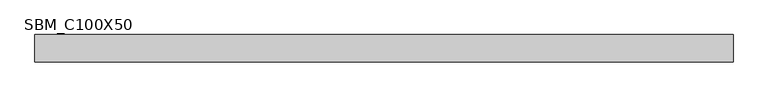
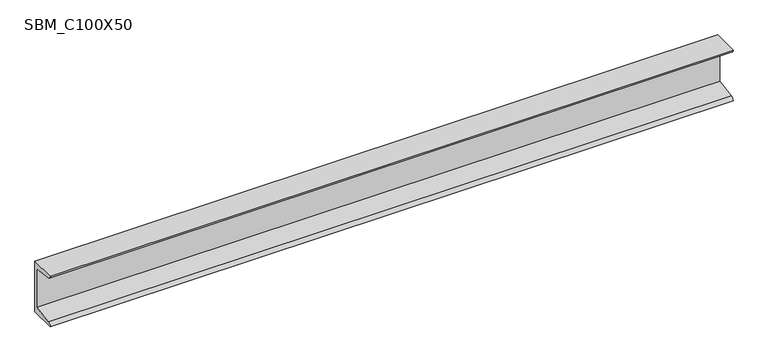
"""IFC4 building model written with IfcOpenShell, lengths in millimetres: beam geometry, SBM_C100X50."""

import ifcopenshell
import ifcopenshell.guid

model = None  # the IFC model being written
_history = None  # IfcOwnerHistory: only IFC2X3 demands one
_inside = {}  # id of a spatial element -> (the spatial element, [elements in it])
_under = {}  # id of a project, library or spatial element -> (it, [spatial elements below it])
_declared = {}  # id of a project -> (the project, [libraries it declares])
_typed = {}  # id of a type object -> (the type object, [elements of that type])
_made_of = {}  # id of a material, layer set ... -> (it, [elements and type objects made of it])


def new_model(schema):
    """Start an empty IFC model of exactly this schema.

    Asked for "IFC4X3", IfcOpenShell would pick the latest addendum, in which some entities
    have other attributes; the version numbers below select the first issue.
    IFC2X3 requires an IfcOwnerHistory on every rooted entity: one is made here for all.
    """
    global model, _history
    if schema == "IFC4X3":
        model = ifcopenshell.file(schema_version=(4, 3, 0, 0))
    else:
        model = ifcopenshell.file(schema=schema)
    _inside.clear()
    _under.clear()
    _declared.clear()
    _typed.clear()
    _made_of.clear()
    _history = None
    if model.schema == "IFC2X3":
        org = make("IfcOrganization", Name="unknown")
        user = make(
            "IfcPersonAndOrganization",
            ThePerson=make("IfcPerson", FamilyName="unknown"),
            TheOrganization=org,
        )
        app = make(
            "IfcApplication",
            ApplicationDeveloper=org,
            Version="unknown",
            ApplicationFullName="unknown",
            ApplicationIdentifier="unknown",
        )
        _history = make(
            "IfcOwnerHistory",
            OwningUser=user,
            OwningApplication=app,
            ChangeAction="ADDED",
            CreationDate=0,
        )
    return model


def make(cls, **values):
    """One entity of the class cls with the attributes given. An attribute that is None is left unset."""
    return model.create_entity(
        cls, **{name: value for name, value in values.items() if value is not None}
    )


def rooted(cls, **values):
    """An entity with a GlobalId (a new one), such as an element, a storey or a relation."""
    return make(cls, GlobalId=ifcopenshell.guid.new(), OwnerHistory=_history, **values)


def si_unit(unit_type, name, prefix=None):
    """IfcSIUnit, for example si_unit("LENGTHUNIT", "METRE", prefix="MILLI")."""
    return make("IfcSIUnit", UnitType=unit_type, Prefix=prefix, Name=name)


def assignment(units):
    """IfcUnitAssignment: the units of a project."""
    return None if units is None else make("IfcUnitAssignment", Units=units)


def point(xyz):
    """IfcCartesianPoint."""
    return None if xyz is None else make("IfcCartesianPoint", Coordinates=xyz)


def direction(xyz):
    """IfcDirection."""
    return None if xyz is None else make("IfcDirection", DirectionRatios=xyz)


def frame(location, z_axis=None, x_axis=None):
    """IfcAxis2Placement3D, a coordinate frame: its origin and axes. An axis left out is left unset."""
    return make(
        "IfcAxis2Placement3D",
        Location=point(location),
        Axis=direction(z_axis),
        RefDirection=direction(x_axis),
    )


def frame_2d(location, x_axis=None):
    """IfcAxis2Placement2D, a coordinate frame in the plane: its origin and x axis."""
    return make(
        "IfcAxis2Placement2D", Location=point(location), RefDirection=direction(x_axis)
    )


def origin():
    """The frame at (0, 0, 0) with its axes left unset."""
    return frame((0.0, 0.0, 0.0))


def place(relative_to, where):
    """IfcLocalPlacement: puts the frame where relative to a parent placement (None: the world)."""
    return make(
        "IfcLocalPlacement", PlacementRelTo=relative_to, RelativePlacement=where
    )


def context(
    kind, dimensions, precision=None, world=None, true_north=None, identifier=None
):
    """IfcGeometricRepresentationContext, for example the 3D "Model" context."""
    return make(
        "IfcGeometricRepresentationContext",
        ContextIdentifier=identifier,
        ContextType=kind,
        CoordinateSpaceDimension=dimensions,
        Precision=precision,
        WorldCoordinateSystem=world,
        TrueNorth=true_north,
    )


def project(units=None, contexts=None):
    """IfcProject with its units and contexts."""
    return rooted(
        "IfcProject",
        Name="project",
        RepresentationContexts=contexts,
        UnitsInContext=assignment(units),
    )


def spatial(cls, under=None, at=None, **own):
    """A site, building, storey or space (cls), placed at a placement, below another one or the project."""
    s = rooted(cls, ObjectPlacement=at, **own)
    if under is not None:
        _under.setdefault(under.id(), (under, []))[1].append(s)
    return s


def polyline(points):
    """IfcPolyline through the points."""
    return make("IfcPolyline", Points=[point(p) for p in points])


def circle_curve(where, radius):
    """IfcCircle in the frame where."""
    return make("IfcCircle", Position=where, Radius=radius)


def trimmed(basis, trim1, trim2, sense, master):
    """IfcTrimmedCurve: the piece of a basis curve between two trims."""
    return make(
        "IfcTrimmedCurve",
        BasisCurve=basis,
        Trim1=trim1,
        Trim2=trim2,
        SenseAgreement=sense,
        MasterRepresentation=master,
    )


def segment(curve, same_sense, transition):
    """IfcCompositeCurveSegment."""
    return make(
        "IfcCompositeCurveSegment",
        Transition=transition,
        SameSense=same_sense,
        ParentCurve=curve,
    )


def composite_curve(segments, self_intersect=None):
    """IfcCompositeCurve: segments joined end to end."""
    return make("IfcCompositeCurve", Segments=segments, SelfIntersect=self_intersect)


def outline(outer, holes=None, kind="AREA"):
    """IfcArbitraryClosedProfileDef: a profile drawn as a closed curve; with holes, ...WithVoids."""
    if holes is None:
        return make("IfcArbitraryClosedProfileDef", ProfileType=kind, OuterCurve=outer)
    return make(
        "IfcArbitraryProfileDefWithVoids",
        ProfileType=kind,
        OuterCurve=outer,
        InnerCurves=holes,
    )


def extrude(swept, where, along, depth):
    """IfcExtrudedAreaSolid: the profile swept, set in the frame where, extruded along a direction by depth."""
    return make(
        "IfcExtrudedAreaSolid",
        SweptArea=swept,
        Position=where,
        ExtrudedDirection=direction(along),
        Depth=depth,
    )


def shape(context_of_items, identifier, shape_type, items):
    """IfcShapeRepresentation: the items that make up one representation, for example the "Body"."""
    return make(
        "IfcShapeRepresentation",
        ContextOfItems=context_of_items,
        RepresentationIdentifier=identifier,
        RepresentationType=shape_type,
        Items=items,
    )


def source(mapping_origin, context_of_items, identifier, shape_type, items):
    """IfcRepresentationMap: a shape defined once, which mapped items show again and again."""
    return make(
        "IfcRepresentationMap",
        MappingOrigin=mapping_origin,
        MappedRepresentation=shape(context_of_items, identifier, shape_type, items),
    )


def transform(
    local_origin,
    x_axis=None,
    y_axis=None,
    z_axis=None,
    scale=None,
    scale2=None,
    scale3=None,
    uniform=True,
):
    """IfcCartesianTransformationOperator3D, or its non-uniform kind. x_axis, y_axis, z_axis: its Axis1, 2, 3."""
    if uniform:
        return make(
            "IfcCartesianTransformationOperator3D",
            Axis1=direction(x_axis),
            Axis2=direction(y_axis),
            LocalOrigin=point(local_origin),
            Scale=scale,
            Axis3=direction(z_axis),
        )
    return make(
        "IfcCartesianTransformationOperator3DnonUniform",
        Axis1=direction(x_axis),
        Axis2=direction(y_axis),
        LocalOrigin=point(local_origin),
        Scale=scale,
        Axis3=direction(z_axis),
        Scale2=scale2,
        Scale3=scale3,
    )


def mapped(mapping_source, mapping_target):
    """IfcMappedItem: shows the shape of a source again, moved by a transform."""
    return make(
        "IfcMappedItem", MappingSource=mapping_source, MappingTarget=mapping_target
    )


def made_of(thing, what):
    """Note that an element or type object is made of a material, layer set ...; save() writes the relation."""
    if what is not None:
        _made_of.setdefault(what.id(), (what, []))[1].append(thing)
    return thing


def element(
    cls,
    number,
    at=None,
    inside=None,
    cuts=None,
    type_object=None,
    material=None,
    context=None,
    identifier="Body",
    shape_type=None,
    held_by="IfcProductDefinitionShape",
    body=None,
    shapes=None,
    **own,
):
    """One element of the class cls, such as IfcWall. Its Tag is "e" and its number.

    at: its placement. inside: the storey or other place that contains it. cuts: it is an
    opening in that element (IfcRelVoidsElement). A single representation is given by context,
    identifier, shape_type and body (its items); several are given by shapes. held_by: the class
    of the entity that holds the representations. save() writes the other relations.
    """
    e = rooted(cls, Tag="e%d" % number, ObjectPlacement=at, **own)
    if body is not None:
        shapes = [shape(context, identifier, shape_type, body)]
    if shapes is not None:
        e.Representation = make(held_by, Representations=shapes)
    if inside is not None:
        _inside.setdefault(inside.id(), (inside, []))[1].append(e)
    if cuts is not None:
        rooted(
            "IfcRelVoidsElement", RelatingBuildingElement=cuts, RelatedOpeningElement=e
        )
    if type_object is not None:
        _typed.setdefault(type_object.id(), (type_object, []))[1].append(e)
    return made_of(e, material)


def aggregate(whole, parts):
    """IfcRelAggregates: a whole, such as a stair, and the parts it consists of."""
    return rooted("IfcRelAggregates", RelatingObject=whole, RelatedObjects=parts)


def save(model, path):
    """Write the relations noted so far, then the file.

    IfcRelAggregates (storeys below a building ...), IfcRelContainedInSpatialStructure (elements
    in a storey), IfcRelDefinesByType, IfcRelAssociatesMaterial and IfcRelDeclares: one each for
    every whole, place, type object, material and project.
    """
    for whole, parts in _under.values():
        aggregate(whole, parts)
    for where, things in _inside.values():
        rooted(
            "IfcRelContainedInSpatialStructure",
            RelatedElements=things,
            RelatingStructure=where,
        )
    for kind, things in _typed.values():
        rooted("IfcRelDefinesByType", RelatedObjects=things, RelatingType=kind)
    for what, things in _made_of.values():
        rooted("IfcRelAssociatesMaterial", RelatedObjects=things, RelatingMaterial=what)
    for by, libraries in _declared.values():
        rooted("IfcRelDeclares", RelatingContext=by, RelatedDefinitions=libraries)
    model.write(path)


def sbm_c100x50_a04ddda6(model_context):
    return source(origin(), model_context, "Body", "SweptSolid", [
        extrude(outline(composite_curve([segment(polyline([(8.5, 50.0), (8.5, -50.0), (-41.5, -50.0)]), True, "CONTINUOUS"), segment(trimmed(circle_curve(frame_2d((-35.5, -50.0)), 6.0), [point((-41.5, -50.0))], [point((-35.5, -44.0))], False, "CARTESIAN"), True, "CONTINUOUS"), segment(polyline([(-35.5, -44.0), (2.5, -37.9813913), (2.5, 37.9813913), (-35.5, 44.0)]), True, "CONTINUOUS"), segment(trimmed(circle_curve(frame_2d((-35.5, 50.0)), 6.0), [point((-35.5, 44.0))], [point((-41.5, 50.0))], False, "CARTESIAN"), True, "CONTINUOUS"), segment(polyline([(-41.5, 50.0), (8.5, 50.0)]), True, "CONTINUOUS")], self_intersect=False)), frame((-639.5, 0.0, 0.0), z_axis=(1.0, 0.0, 0.0), x_axis=(0.0, 1.0, 0.0)), (0.0, 0.0, 1.0), 1279.0),
    ])


if __name__ == "__main__":
    model = new_model("IFC4")
    model_context = context("Model", 3, world=origin())
    ifc_project = project(units=[si_unit("LENGTHUNIT", "METRE", prefix="MILLI")], contexts=[model_context])
    site = spatial("IfcSite", under=ifc_project)
    building = spatial("IfcBuilding", under=site)
    placement = place(None, origin())
    sbm_c100x50_shape = sbm_c100x50_a04ddda6(model_context)
    element("IfcBeam", 1, ObjectType="SBM_C100X50", at=placement, inside=building, context=model_context, shape_type="MappedRepresentation", body=[
        mapped(sbm_c100x50_shape, transform((0.0, 0.0, 0.0), x_axis=(1.0, 0.0, 0.0), y_axis=(0.0, 1.0, 0.0), z_axis=(0.0, 0.0, 1.0))),
    ])
    save(model, "model.ifc")
